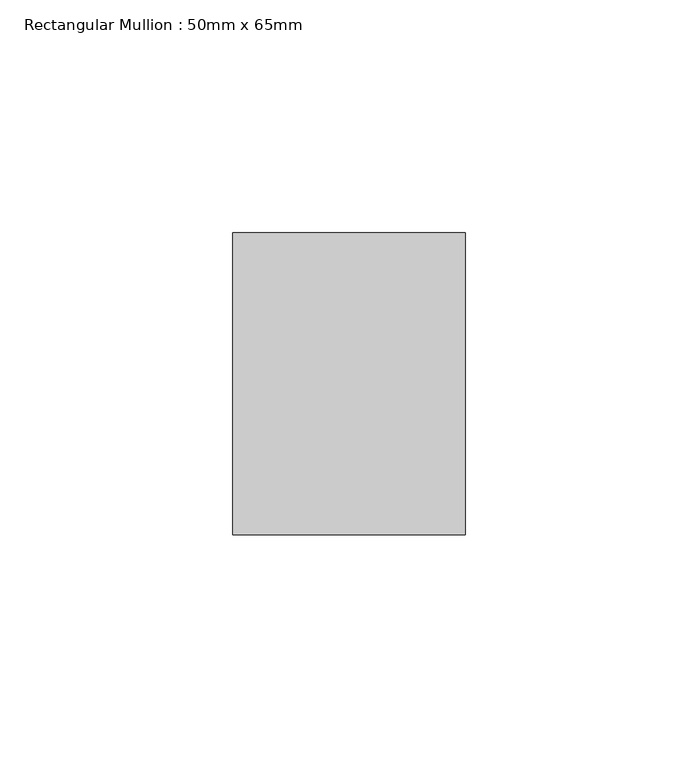
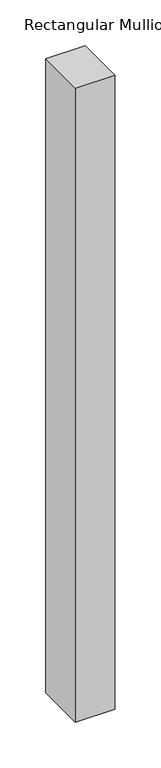
"""IFC4 building model written with IfcOpenShell, lengths in millimetres: member geometry, Rectangular Mullion : 50mm x 65mm."""

from ifc_helpers import new_model, si_unit, frame, origin, place, context, project, spatial, polyline, outline, extrude, source, transform, mapped, element, save


def rectangular_mullion_50mm_x_65mm_97a98ba7(model_context):
    return source(origin(), model_context, "Body", "SweptSolid", [
        extrude(outline(polyline([(25.0, 32.5), (25.0, -32.5), (-25.0, -32.5), (-25.0, 32.5), (25.0, 32.5)])), frame((0.0, 0.0, -846.7247748), z_axis=(0.0, 0.0, 1.0), x_axis=(1.0, 0.0, 0.0)), (0.0, 0.0, 1.0), 846.7247748),
    ])


if __name__ == "__main__":
    model = new_model("IFC4")
    model_context = context("Model", 3, world=origin())
    ifc_project = project(units=[si_unit("LENGTHUNIT", "METRE", prefix="MILLI")], contexts=[model_context])
    site = spatial("IfcSite", under=ifc_project)
    building = spatial("IfcBuilding", under=site)
    placement = place(None, origin())
    rectangular_mullion_50mm_x_65mm_shape = rectangular_mullion_50mm_x_65mm_97a98ba7(model_context)
    element("IfcMember", 1, ObjectType="Rectangular Mullion : 50mm x 65mm", at=placement, inside=building, context=model_context, shape_type="MappedRepresentation", body=[
        mapped(rectangular_mullion_50mm_x_65mm_shape, transform((0.0, 0.0, 0.0), x_axis=(1.0, 0.0, 0.0), y_axis=(0.0, 1.0, 0.0), z_axis=(0.0, 0.0, 1.0))),
    ])
    save(model, "model.ifc")
